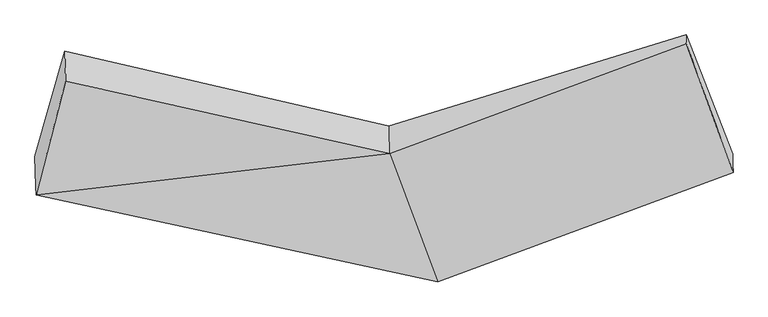
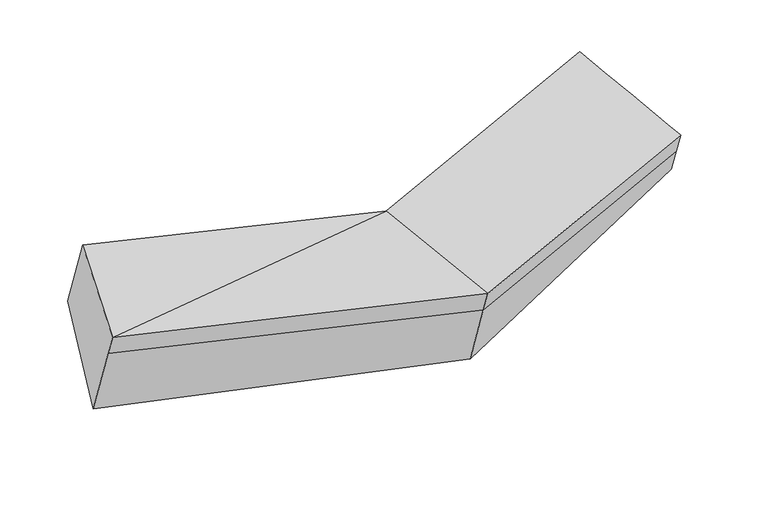
"""IFC4 building model written with IfcOpenShell, lengths in millimetres: proxy geometry."""

import ifcopenshell
import ifcopenshell.guid

model = None  # the IFC model being written
_history = None  # IfcOwnerHistory: only IFC2X3 demands one
_inside = {}  # id of a spatial element -> (the spatial element, [elements in it])
_under = {}  # id of a project, library or spatial element -> (it, [spatial elements below it])
_declared = {}  # id of a project -> (the project, [libraries it declares])
_typed = {}  # id of a type object -> (the type object, [elements of that type])
_made_of = {}  # id of a material, layer set ... -> (it, [elements and type objects made of it])


def new_model(schema):
    """Start an empty IFC model of exactly this schema.

    Asked for "IFC4X3", IfcOpenShell would pick the latest addendum, in which some entities
    have other attributes; the version numbers below select the first issue.
    IFC2X3 requires an IfcOwnerHistory on every rooted entity: one is made here for all.
    """
    global model, _history
    if schema == "IFC4X3":
        model = ifcopenshell.file(schema_version=(4, 3, 0, 0))
    else:
        model = ifcopenshell.file(schema=schema)
    _inside.clear()
    _under.clear()
    _declared.clear()
    _typed.clear()
    _made_of.clear()
    _history = None
    if model.schema == "IFC2X3":
        org = make("IfcOrganization", Name="unknown")
        user = make(
            "IfcPersonAndOrganization",
            ThePerson=make("IfcPerson", FamilyName="unknown"),
            TheOrganization=org,
        )
        app = make(
            "IfcApplication",
            ApplicationDeveloper=org,
            Version="unknown",
            ApplicationFullName="unknown",
            ApplicationIdentifier="unknown",
        )
        _history = make(
            "IfcOwnerHistory",
            OwningUser=user,
            OwningApplication=app,
            ChangeAction="ADDED",
            CreationDate=0,
        )
    return model


def make(cls, **values):
    """One entity of the class cls with the attributes given. An attribute that is None is left unset."""
    return model.create_entity(
        cls, **{name: value for name, value in values.items() if value is not None}
    )


def rooted(cls, **values):
    """An entity with a GlobalId (a new one), such as an element, a storey or a relation."""
    return make(cls, GlobalId=ifcopenshell.guid.new(), OwnerHistory=_history, **values)


def si_unit(unit_type, name, prefix=None):
    """IfcSIUnit, for example si_unit("LENGTHUNIT", "METRE", prefix="MILLI")."""
    return make("IfcSIUnit", UnitType=unit_type, Prefix=prefix, Name=name)


def assignment(units):
    """IfcUnitAssignment: the units of a project."""
    return None if units is None else make("IfcUnitAssignment", Units=units)


def point(xyz):
    """IfcCartesianPoint."""
    return None if xyz is None else make("IfcCartesianPoint", Coordinates=xyz)


def direction(xyz):
    """IfcDirection."""
    return None if xyz is None else make("IfcDirection", DirectionRatios=xyz)


def frame(location, z_axis=None, x_axis=None):
    """IfcAxis2Placement3D, a coordinate frame: its origin and axes. An axis left out is left unset."""
    return make(
        "IfcAxis2Placement3D",
        Location=point(location),
        Axis=direction(z_axis),
        RefDirection=direction(x_axis),
    )


def origin():
    """The frame at (0, 0, 0) with its axes left unset."""
    return frame((0.0, 0.0, 0.0))


def place(relative_to, where):
    """IfcLocalPlacement: puts the frame where relative to a parent placement (None: the world)."""
    return make(
        "IfcLocalPlacement", PlacementRelTo=relative_to, RelativePlacement=where
    )


def context(
    kind, dimensions, precision=None, world=None, true_north=None, identifier=None
):
    """IfcGeometricRepresentationContext, for example the 3D "Model" context."""
    return make(
        "IfcGeometricRepresentationContext",
        ContextIdentifier=identifier,
        ContextType=kind,
        CoordinateSpaceDimension=dimensions,
        Precision=precision,
        WorldCoordinateSystem=world,
        TrueNorth=true_north,
    )


def project(units=None, contexts=None):
    """IfcProject with its units and contexts."""
    return rooted(
        "IfcProject",
        Name="project",
        RepresentationContexts=contexts,
        UnitsInContext=assignment(units),
    )


def spatial(cls, under=None, at=None, **own):
    """A site, building, storey or space (cls), placed at a placement, below another one or the project."""
    s = rooted(cls, ObjectPlacement=at, **own)
    if under is not None:
        _under.setdefault(under.id(), (under, []))[1].append(s)
    return s


def shape(context_of_items, identifier, shape_type, items):
    """IfcShapeRepresentation: the items that make up one representation, for example the "Body"."""
    return make(
        "IfcShapeRepresentation",
        ContextOfItems=context_of_items,
        RepresentationIdentifier=identifier,
        RepresentationType=shape_type,
        Items=items,
    )


def source(mapping_origin, context_of_items, identifier, shape_type, items):
    """IfcRepresentationMap: a shape defined once, which mapped items show again and again."""
    return make(
        "IfcRepresentationMap",
        MappingOrigin=mapping_origin,
        MappedRepresentation=shape(context_of_items, identifier, shape_type, items),
    )


def transform(
    local_origin,
    x_axis=None,
    y_axis=None,
    z_axis=None,
    scale=None,
    scale2=None,
    scale3=None,
    uniform=True,
):
    """IfcCartesianTransformationOperator3D, or its non-uniform kind. x_axis, y_axis, z_axis: its Axis1, 2, 3."""
    if uniform:
        return make(
            "IfcCartesianTransformationOperator3D",
            Axis1=direction(x_axis),
            Axis2=direction(y_axis),
            LocalOrigin=point(local_origin),
            Scale=scale,
            Axis3=direction(z_axis),
        )
    return make(
        "IfcCartesianTransformationOperator3DnonUniform",
        Axis1=direction(x_axis),
        Axis2=direction(y_axis),
        LocalOrigin=point(local_origin),
        Scale=scale,
        Axis3=direction(z_axis),
        Scale2=scale2,
        Scale3=scale3,
    )


def mapped(mapping_source, mapping_target):
    """IfcMappedItem: shows the shape of a source again, moved by a transform."""
    return make(
        "IfcMappedItem", MappingSource=mapping_source, MappingTarget=mapping_target
    )


def made_of(thing, what):
    """Note that an element or type object is made of a material, layer set ...; save() writes the relation."""
    if what is not None:
        _made_of.setdefault(what.id(), (what, []))[1].append(thing)
    return thing


def element(
    cls,
    number,
    at=None,
    inside=None,
    cuts=None,
    type_object=None,
    material=None,
    context=None,
    identifier="Body",
    shape_type=None,
    held_by="IfcProductDefinitionShape",
    body=None,
    shapes=None,
    **own,
):
    """One element of the class cls, such as IfcWall. Its Tag is "e" and its number.

    at: its placement. inside: the storey or other place that contains it. cuts: it is an
    opening in that element (IfcRelVoidsElement). A single representation is given by context,
    identifier, shape_type and body (its items); several are given by shapes. held_by: the class
    of the entity that holds the representations. save() writes the other relations.
    """
    e = rooted(cls, Tag="e%d" % number, ObjectPlacement=at, **own)
    if body is not None:
        shapes = [shape(context, identifier, shape_type, body)]
    if shapes is not None:
        e.Representation = make(held_by, Representations=shapes)
    if inside is not None:
        _inside.setdefault(inside.id(), (inside, []))[1].append(e)
    if cuts is not None:
        rooted(
            "IfcRelVoidsElement", RelatingBuildingElement=cuts, RelatedOpeningElement=e
        )
    if type_object is not None:
        _typed.setdefault(type_object.id(), (type_object, []))[1].append(e)
    return made_of(e, material)


def aggregate(whole, parts):
    """IfcRelAggregates: a whole, such as a stair, and the parts it consists of."""
    return rooted("IfcRelAggregates", RelatingObject=whole, RelatedObjects=parts)


def save(model, path):
    """Write the relations noted so far, then the file.

    IfcRelAggregates (storeys below a building ...), IfcRelContainedInSpatialStructure (elements
    in a storey), IfcRelDefinesByType, IfcRelAssociatesMaterial and IfcRelDeclares: one each for
    every whole, place, type object, material and project.
    """
    for whole, parts in _under.values():
        aggregate(whole, parts)
    for where, things in _inside.values():
        rooted(
            "IfcRelContainedInSpatialStructure",
            RelatedElements=things,
            RelatingStructure=where,
        )
    for kind, things in _typed.values():
        rooted("IfcRelDefinesByType", RelatedObjects=things, RelatingType=kind)
    for what, things in _made_of.values():
        rooted("IfcRelAssociatesMaterial", RelatedObjects=things, RelatingMaterial=what)
    for by, libraries in _declared.values():
        rooted("IfcRelDeclares", RelatingContext=by, RelatedDefinitions=libraries)
    model.write(path)


def plane_surface(at):
    """IfcPlane: the flat surface through the origin of the frame at, square to its z axis."""
    return make("IfcPlane", Position=at)


def spline_surface(u_degree, v_degree, points, u_multiplicities, v_multiplicities, u_knots, v_knots, weights=None):
    """IfcBSplineSurfaceWithKnots; with weights, IfcRationalBSplineSurfaceWithKnots. points: one row for each step in u."""
    own = dict(
        UDegree=u_degree,
        VDegree=v_degree,
        ControlPointsList=[[point(p) for p in row] for row in points],
        SurfaceForm="UNSPECIFIED",
        UClosed=False,
        VClosed=False,
        SelfIntersect=False,
        UMultiplicities=u_multiplicities,
        VMultiplicities=v_multiplicities,
        UKnots=u_knots,
        VKnots=v_knots,
        KnotSpec="UNSPECIFIED",
    )
    if weights is None:
        return make("IfcBSplineSurfaceWithKnots", **own)
    return make("IfcRationalBSplineSurfaceWithKnots", WeightsData=weights, **own)


def advanced_brep(points, edges, surfaces, faces):
    """IfcAdvancedBrep: a solid bounded by faces that lie on surfaces and meet in shared edges.

    An edge is (start, end): straight between two places in points (the first is 0);
    or (start, end, curve); or (start, end, curve, False) where it runs against its curve.
    A face is (place in surfaces, loops), or (place, loops, False) where it looks against
    its surface's normal. A loop lists edges by number (the first is 1), with a minus sign
    where the edge is run from its end to its start. The first loop is the outer one.
    """
    corners = [point(p) for p in points]
    vertices = [make("IfcVertexPoint", VertexGeometry=c) for c in corners]
    made = []
    for start, end, *more in edges:
        made.append(
            make(
                "IfcEdgeCurve",
                EdgeStart=vertices[start],
                EdgeEnd=vertices[end],
                EdgeGeometry=more[0] if more else make("IfcPolyline", Points=[corners[start], corners[end]]),
                SameSense=more[1] if len(more) > 1 else True,
            )
        )
    hull = []
    for where, loops, *sense in faces:
        bounds = []
        for j, loop in enumerate(loops):
            ring = [make("IfcOrientedEdge", EdgeElement=made[abs(k) - 1], Orientation=k > 0) for k in loop]
            bounds.append(
                make(
                    "IfcFaceOuterBound" if j == 0 else "IfcFaceBound",
                    Bound=make("IfcEdgeLoop", EdgeList=ring),
                    Orientation=True,
                )
            )
        hull.append(make("IfcAdvancedFace", Bounds=bounds, FaceSurface=surfaces[where], SameSense=sense[0] if sense else True))
    return make("IfcAdvancedBrep", Outer=make("IfcClosedShell", CfsFaces=hull))


def generic_models_e5536ecb(model_context):
    return source(origin(), model_context, "Body", "AdvancedBrep", [
        advanced_brep(
        [(-2087.7128273, -1875.0447286, 2109.8448607), (-2089.1261364, -1825.525253, 1962.8047211), (250.1135102, -2332.1335413, 1772.8549762), (251.5708948, -2383.1973337, 1924.4807166), (-1915.2439298, -1212.0663035, 2331.4618438), (-29.0037676, -1633.6694553, 2179.5999403), (-1920.2137093, -1037.9353381, 1814.4078744), (-33.5233867, -1475.3111931, 1709.380483), (-2094.0971457, -1651.3511971, 1445.6228016), (245.7352793, -2178.7292383, 1317.345506), (1697.5909159, -942.6705047, 2219.4128667), (1699.0256878, -992.9419929, 2368.6859869), (1971.6305891, -1745.1271738, 2112.7484527), (1970.1732045, -1694.0633815, 1961.1227123), (1968.5601079, -1637.5437575, 1793.2967552)],
        [
            (0, 1),
            (1, 2),
            (2, 3),
            (3, 0),
            (4, 0),
            (0, 5),
            (5, 4),
            (6, 4),
            (5, 7),
            (7, 6),
            (8, 6),
            (7, 9),
            (9, 8),
            (1, 8),
            (9, 2),
            (10, 11),
            (11, 12),
            (12, 13),
            (13, 14),
            (14, 10),
            (3, 5),
            (5, 11),
            (10, 7),
            (3, 12),
            (2, 13),
            (9, 14),
        ],
        [
            plane_surface(frame((-2088.4194818, -1850.2849908, 2036.3247909), z_axis=(-0.22520479248234143, -0.9240078297323531, -0.3090183360842725), x_axis=(-0.009108653814906395, 0.31914870246929583, -0.9476608771801467))),
            plane_surface(frame((-2001.4783786, -1543.5555161, 2220.6533523), z_axis=(0.0051916745502848805, -0.318241565149583, 0.9479954391907736), x_axis=(-0.23954013534468885, -0.920803368233989, -0.3078013655070247))),
            plane_surface(frame((-1917.7288196, -1125.0008208, 2072.9348591), z_axis=(0.23108150818842227, 0.922719768186215, 0.3085280635075878), x_axis=(0.009108653814887223, -0.3191487024692989, 0.9476608771801459))),
            spline_surface(1, 1, [[(-2094.0971457, -1651.3511971, 1445.6228016), (245.7352793, -2178.7292383, 1317.345506)], [(-1920.2137093, -1037.9353381, 1814.4078744), (-33.5233867, -1475.3111931, 1709.380483)]], [2, 2], [2, 2], [0.0, 1.0], [0.0, 1.0]),
            plane_surface(frame((-2091.611641, -1738.438225, 1704.2137614), z_axis=(-0.22520479248232456, -0.9240078297323449, -0.30901833608430956), x_axis=(-0.009108653814834236, 0.3191487024693168, -0.9476608771801404))),
            plane_surface(frame((1834.2018252, -1329.5708572, 2123.5360154), z_axis=(0.945831667018334, 0.31031934080834694, 0.09541679299574417), x_axis=(0.009108653814907802, -0.31914870246929417, 0.9476608771801474))),
            plane_surface(frame((-2004.316903, -1444.0993918, 1925.3343451), z_axis=(-0.970843734070901, 0.2241991586984639, 0.08483620249734919), x_axis=(0.00910865381485534, -0.31914870246919586, 0.947660877180181))),
            plane_surface(frame((-2087.7128273, -1875.0447286, 2109.8448607), z_axis=(0.0054668691496197325, -0.32038003698472345, 0.9472733212982241), x_axis=(0.3340174551525331, -0.892295093372848, -0.3037133615700273))),
            plane_surface(frame((-31.2635771, -1554.4903242, 1944.4902117), z_axis=(-0.36031741694485797, 0.8829899345924125, 0.3008324026009715), x_axis=(0.009108653814907802, -0.31914870246929417, 0.9476608771801474))),
            spline_surface(1, 1, [[(-29.0037676, -1633.6694553, 2179.5999403), (1699.0256878, -992.9419929, 2368.6859869)], [(251.5708948, -2383.1973337, 1924.4807166), (1971.6305891, -1745.1271738, 2112.7484527)]], [2, 2], [2, 2], [0.0, 1.0], [0.0, 1.0]),
            plane_surface(frame((250.8422025, -2357.6654375, 1848.6678464), z_axis=(0.36045857855637303, -0.8829378341530495, -0.3008162132702318), x_axis=(-0.009108653814866675, 0.31914870246930915, -0.9476608771801427))),
            plane_surface(frame((247.9243947, -2255.4313898, 1545.1002411), z_axis=(0.36045857855637314, -0.8829378341530508, -0.300816213270227), x_axis=(-0.00910865381486454, 0.3191487024693049, -0.947660877180144))),
            spline_surface(1, 1, [[(245.7352793, -2178.7292383, 1317.345506), (1968.5601079, -1637.5437575, 1793.2967552)], [(-33.5233867, -1475.3111931, 1709.380483), (1697.5909159, -942.6705047, 2219.4128667)]], [2, 2], [2, 2], [0.0, 1.0], [0.0, 1.0]),
        ],
        [
            (0, [[1, 2, 3, 4]]),
            (1, [[5, 6, 7]]),
            (2, [[8, -7, 9, 10]]),
            (3, [[11, -10, 12, 13]]),
            (4, [[14, -13, 15, -2]]),
            (5, [[16, 17, 18, 19, 20]]),
            (6, [[-1, -5, -8, -11, -14]]),
            (7, [[21, -6, -4]]),
            (8, [[-9, 22, -16, 23]]),
            (9, [[-21, 24, -17, -22]]),
            (10, [[-3, 25, -18, -24]]),
            (11, [[-15, 26, -19, -25]]),
            (12, [[-12, -23, -20, -26]]),
        ],
    ),
    ])


if __name__ == "__main__":
    model = new_model("IFC4")
    model_context = context("Model", 3, world=origin())
    ifc_project = project(units=[si_unit("LENGTHUNIT", "METRE", prefix="MILLI")], contexts=[model_context])
    site = spatial("IfcSite", under=ifc_project)
    building = spatial("IfcBuilding", under=site)
    placement = place(None, origin())
    generic_models_shape = generic_models_e5536ecb(model_context)
    element("IfcBuildingElementProxy", 1, Name="Generic Models", at=placement, inside=building, context=model_context, shape_type="MappedRepresentation", body=[
        mapped(generic_models_shape, transform((0.0, 0.0, 0.0), x_axis=(1.0, 0.0, 0.0), y_axis=(0.0, 1.0, 0.0), z_axis=(0.0, 0.0, 1.0))),
    ])
    save(model, "model.ifc")
